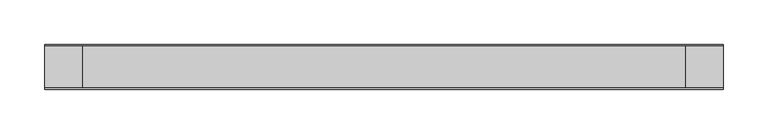
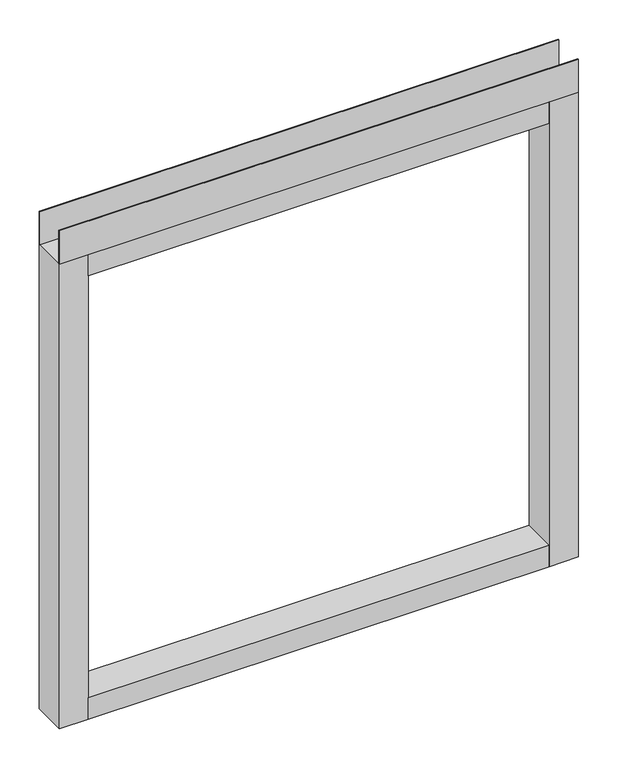
"""IFC4 building model written with IfcOpenShell, lengths in millimetres: furniture geometry."""

from ifc_helpers import new_model, si_unit, frame, origin, place, context, project, spatial, polyline, outline, extrude, source, transform, mapped, element, save


def furniture_a8650ef7(model_context):
    return source(origin(), model_context, "Body", "SweptSolid", [
        extrude(outline(polyline([(381.0, -23.8125), (381.0, -25.4), (-381.0, -25.4), (-381.0, -23.8125), (381.0, -23.8125)])), frame((0.0, 0.0, 822.833), z_axis=(0.0, 0.0, 1.0), x_axis=(1.0, 0.0, 0.0)), (0.0, 0.0, 1.0), 51.435),
        extrude(outline(polyline([(381.0, 25.4), (381.0, 23.8125), (-381.0, 23.8125), (-381.0, 25.4), (381.0, 25.4)])), frame((0.0, 0.0, 822.833), z_axis=(0.0, 0.0, 1.0), x_axis=(1.0, 0.0, 0.0)), (0.0, 0.0, 1.0), 51.435),
        extrude(outline(polyline([(338.1375, -25.4), (-338.1375, -25.4), (-338.1375, 25.4), (338.1375, 25.4), (338.1375, -25.4)])), frame((0.0, 0.0, 789.94), z_axis=(0.0, 0.0, 1.0), x_axis=(1.0, 0.0, 0.0)), (0.0, 0.0, 1.0), 32.893),
        extrude(outline(polyline([(338.1375, -25.4), (-338.1375, -25.4), (-338.1375, 25.4), (338.1375, 25.4), (338.1375, -25.4)])), frame((0.0, 0.0, 101.6), z_axis=(0.0, 0.0, 1.0), x_axis=(1.0, 0.0, 0.0)), (0.0, 0.0, 1.0), 32.893),
        extrude(outline(polyline([(-338.1375, -25.4), (-381.0, -25.4), (-381.0, 25.4), (-338.1375, 25.4), (-338.1375, -25.4)])), frame((0.0, 0.0, 101.6), z_axis=(0.0, 0.0, 1.0), x_axis=(1.0, 0.0, 0.0)), (0.0, 0.0, 1.0), 721.233),
        extrude(outline(polyline([(381.0, -25.4), (338.1375, -25.4), (338.1375, 25.4), (381.0, 25.4), (381.0, -25.4)])), frame((0.0, 0.0, 101.6), z_axis=(0.0, 0.0, 1.0), x_axis=(1.0, 0.0, 0.0)), (0.0, 0.0, 1.0), 721.233),
    ])


if __name__ == "__main__":
    model = new_model("IFC4")
    model_context = context("Model", 3, world=origin())
    ifc_project = project(units=[si_unit("LENGTHUNIT", "METRE", prefix="MILLI")], contexts=[model_context])
    site = spatial("IfcSite", under=ifc_project)
    building = spatial("IfcBuilding", under=site)
    placement = place(None, origin())
    furniture_shape = furniture_a8650ef7(model_context)
    element("IfcFurniture", 1, at=placement, inside=building, context=model_context, shape_type="MappedRepresentation", body=[
        mapped(furniture_shape, transform((0.0, 0.0, 0.0), x_axis=(1.0, 0.0, 0.0), y_axis=(0.0, 1.0, 0.0), z_axis=(0.0, 0.0, 1.0))),
    ])
    save(model, "model.ifc")
